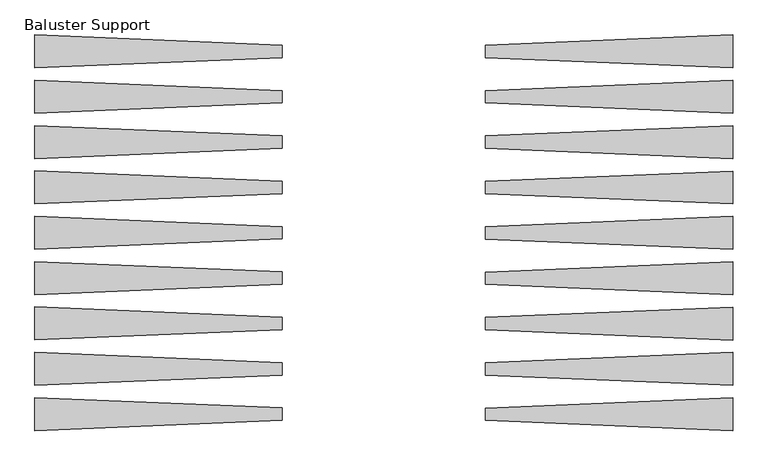
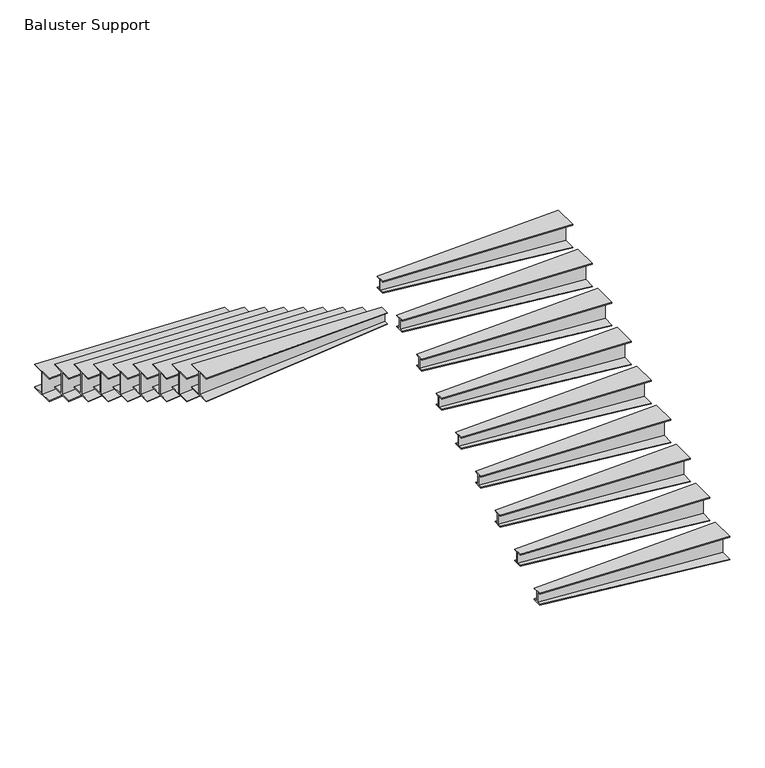
"""IFC4 building model written with IfcOpenShell, lengths in millimetres: railing geometry, Baluster Support."""

from ifc_helpers import new_model, si_unit, origin, place, context, project, spatial, faceted_brep, source, transform, mapped, element, save


def baluster_support_451a33aa(model_context):
    return source(origin(), model_context, "Body", "Brep", [
        faceted_brep([(5882.53129, 2665.5090883, 2997.2), (5882.53129, 2589.3090883, 2997.2), (5882.53129, 2589.3090883, 2990.85), (5882.53129, 2621.0590883, 2990.85), (5882.53129, 2621.0590883, 2901.95), (5882.53129, 2589.3090883, 2901.95), (5882.53129, 2589.3090883, 2895.6), (5882.53129, 2665.5090883, 2895.6), (5882.53129, 2665.5090883, 2901.95), (5882.53129, 2633.7590883, 2901.95), (5882.53129, 2633.7590883, 2990.85), (5882.53129, 2665.5090883, 2990.85), (4358.53129, 2729.0090883, 2997.2), (4358.53129, 2729.0090883, 2990.85), (4358.53129, 2633.7590883, 2990.85), (4358.53129, 2633.7590883, 2800.35), (4358.53129, 2729.0090883, 2800.35), (4358.53129, 2729.0090883, 2794.0), (4358.53129, 2525.8090883, 2794.0), (4358.53129, 2525.8090883, 2800.35), (4358.53129, 2621.0590883, 2800.35), (4358.53129, 2621.0590883, 2990.85), (4358.53129, 2525.8090883, 2990.85), (4358.53129, 2525.8090883, 2997.2)], [[[0, 1, 2, 3, 4, 5, 6, 7, 8, 9, 10, 11]], [[12, 13, 14, 15, 16, 17, 18, 19, 20, 21, 22, 23]], [[12, 23, 1, 0]], [[23, 22, 2, 1]], [[22, 21, 3, 2]], [[21, 20, 4, 3]], [[20, 19, 5, 4]], [[19, 18, 6, 5]], [[18, 17, 7, 6]], [[17, 16, 8, 7]], [[16, 15, 9, 8]], [[15, 14, 10, 9]], [[14, 13, 11, 10]], [[13, 12, 0, 11]]]),
        faceted_brep([(5882.53129, 2944.9090883, 2827.8666667), (5882.53129, 2868.7090883, 2827.8666667), (5882.53129, 2868.7090883, 2821.5166667), (5882.53129, 2900.4590883, 2821.5166667), (5882.53129, 2900.4590883, 2732.6166667), (5882.53129, 2868.7090883, 2732.6166667), (5882.53129, 2868.7090883, 2726.2666667), (5882.53129, 2944.9090883, 2726.2666667), (5882.53129, 2944.9090883, 2732.6166667), (5882.53129, 2913.1590883, 2732.6166667), (5882.53129, 2913.1590883, 2821.5166667), (5882.53129, 2944.9090883, 2821.5166667), (4358.53129, 3008.4090883, 2827.8666667), (4358.53129, 3008.4090883, 2821.5166667), (4358.53129, 2913.1590883, 2821.5166667), (4358.53129, 2913.1590883, 2631.0166667), (4358.53129, 3008.4090883, 2631.0166667), (4358.53129, 3008.4090883, 2624.6666667), (4358.53129, 2805.2090883, 2624.6666667), (4358.53129, 2805.2090883, 2631.0166667), (4358.53129, 2900.4590883, 2631.0166667), (4358.53129, 2900.4590883, 2821.5166667), (4358.53129, 2805.2090883, 2821.5166667), (4358.53129, 2805.2090883, 2827.8666667)], [[[0, 1, 2, 3, 4, 5, 6, 7, 8, 9, 10, 11]], [[12, 13, 14, 15, 16, 17, 18, 19, 20, 21, 22, 23]], [[12, 23, 1, 0]], [[23, 22, 2, 1]], [[22, 21, 3, 2]], [[21, 20, 4, 3]], [[20, 19, 5, 4]], [[19, 18, 6, 5]], [[18, 17, 7, 6]], [[17, 16, 8, 7]], [[16, 15, 9, 8]], [[15, 14, 10, 9]], [[14, 13, 11, 10]], [[13, 12, 0, 11]]]),
        faceted_brep([(5882.53129, 3224.3090883, 2658.5333333), (5882.53129, 3148.1090883, 2658.5333333), (5882.53129, 3148.1090883, 2652.1833333), (5882.53129, 3179.8590883, 2652.1833333), (5882.53129, 3179.8590883, 2563.2833333), (5882.53129, 3148.1090883, 2563.2833333), (5882.53129, 3148.1090883, 2556.9333333), (5882.53129, 3224.3090883, 2556.9333333), (5882.53129, 3224.3090883, 2563.2833333), (5882.53129, 3192.5590883, 2563.2833333), (5882.53129, 3192.5590883, 2652.1833333), (5882.53129, 3224.3090883, 2652.1833333), (4358.53129, 3287.8090883, 2658.5333333), (4358.53129, 3287.8090883, 2652.1833333), (4358.53129, 3192.5590883, 2652.1833333), (4358.53129, 3192.5590883, 2461.6833333), (4358.53129, 3287.8090883, 2461.6833333), (4358.53129, 3287.8090883, 2455.3333333), (4358.53129, 3084.6090883, 2455.3333333), (4358.53129, 3084.6090883, 2461.6833333), (4358.53129, 3179.8590883, 2461.6833333), (4358.53129, 3179.8590883, 2652.1833333), (4358.53129, 3084.6090883, 2652.1833333), (4358.53129, 3084.6090883, 2658.5333333)], [[[0, 1, 2, 3, 4, 5, 6, 7, 8, 9, 10, 11]], [[12, 13, 14, 15, 16, 17, 18, 19, 20, 21, 22, 23]], [[12, 23, 1, 0]], [[23, 22, 2, 1]], [[22, 21, 3, 2]], [[21, 20, 4, 3]], [[20, 19, 5, 4]], [[19, 18, 6, 5]], [[18, 17, 7, 6]], [[17, 16, 8, 7]], [[16, 15, 9, 8]], [[15, 14, 10, 9]], [[14, 13, 11, 10]], [[13, 12, 0, 11]]]),
        faceted_brep([(5882.53129, 3503.7090883, 2489.2), (5882.53129, 3427.5090883, 2489.2), (5882.53129, 3427.5090883, 2482.85), (5882.53129, 3459.2590883, 2482.85), (5882.53129, 3459.2590883, 2393.95), (5882.53129, 3427.5090883, 2393.95), (5882.53129, 3427.5090883, 2387.6), (5882.53129, 3503.7090883, 2387.6), (5882.53129, 3503.7090883, 2393.95), (5882.53129, 3471.9590883, 2393.95), (5882.53129, 3471.9590883, 2482.85), (5882.53129, 3503.7090883, 2482.85), (4358.53129, 3567.2090883, 2489.2), (4358.53129, 3567.2090883, 2482.85), (4358.53129, 3471.9590883, 2482.85), (4358.53129, 3471.9590883, 2292.35), (4358.53129, 3567.2090883, 2292.35), (4358.53129, 3567.2090883, 2286.0), (4358.53129, 3364.0090883, 2286.0), (4358.53129, 3364.0090883, 2292.35), (4358.53129, 3459.2590883, 2292.35), (4358.53129, 3459.2590883, 2482.85), (4358.53129, 3364.0090883, 2482.85), (4358.53129, 3364.0090883, 2489.2)], [[[0, 1, 2, 3, 4, 5, 6, 7, 8, 9, 10, 11]], [[12, 13, 14, 15, 16, 17, 18, 19, 20, 21, 22, 23]], [[12, 23, 1, 0]], [[23, 22, 2, 1]], [[22, 21, 3, 2]], [[21, 20, 4, 3]], [[20, 19, 5, 4]], [[19, 18, 6, 5]], [[18, 17, 7, 6]], [[17, 16, 8, 7]], [[16, 15, 9, 8]], [[15, 14, 10, 9]], [[14, 13, 11, 10]], [[13, 12, 0, 11]]]),
        faceted_brep([(5882.53129, 3783.1090883, 2319.8666667), (5882.53129, 3706.9090883, 2319.8666667), (5882.53129, 3706.9090883, 2313.5166667), (5882.53129, 3738.6590883, 2313.5166667), (5882.53129, 3738.6590883, 2224.6166667), (5882.53129, 3706.9090883, 2224.6166667), (5882.53129, 3706.9090883, 2218.2666667), (5882.53129, 3783.1090883, 2218.2666667), (5882.53129, 3783.1090883, 2224.6166667), (5882.53129, 3751.3590883, 2224.6166667), (5882.53129, 3751.3590883, 2313.5166667), (5882.53129, 3783.1090883, 2313.5166667), (4358.53129, 3846.6090883, 2319.8666667), (4358.53129, 3846.6090883, 2313.5166667), (4358.53129, 3751.3590883, 2313.5166667), (4358.53129, 3751.3590883, 2123.0166667), (4358.53129, 3846.6090883, 2123.0166667), (4358.53129, 3846.6090883, 2116.6666667), (4358.53129, 3643.4090883, 2116.6666667), (4358.53129, 3643.4090883, 2123.0166667), (4358.53129, 3738.6590883, 2123.0166667), (4358.53129, 3738.6590883, 2313.5166667), (4358.53129, 3643.4090883, 2313.5166667), (4358.53129, 3643.4090883, 2319.8666667)], [[[0, 1, 2, 3, 4, 5, 6, 7, 8, 9, 10, 11]], [[12, 13, 14, 15, 16, 17, 18, 19, 20, 21, 22, 23]], [[12, 23, 1, 0]], [[23, 22, 2, 1]], [[22, 21, 3, 2]], [[21, 20, 4, 3]], [[20, 19, 5, 4]], [[19, 18, 6, 5]], [[18, 17, 7, 6]], [[17, 16, 8, 7]], [[16, 15, 9, 8]], [[15, 14, 10, 9]], [[14, 13, 11, 10]], [[13, 12, 0, 11]]]),
        faceted_brep([(5882.53129, 4062.5090883, 2150.5333333), (5882.53129, 3986.3090883, 2150.5333333), (5882.53129, 3986.3090883, 2144.1833333), (5882.53129, 4018.0590883, 2144.1833333), (5882.53129, 4018.0590883, 2055.2833333), (5882.53129, 3986.3090883, 2055.2833333), (5882.53129, 3986.3090883, 2048.9333333), (5882.53129, 4062.5090883, 2048.9333333), (5882.53129, 4062.5090883, 2055.2833333), (5882.53129, 4030.7590883, 2055.2833333), (5882.53129, 4030.7590883, 2144.1833333), (5882.53129, 4062.5090883, 2144.1833333), (4358.53129, 4126.0090883, 2150.5333333), (4358.53129, 4126.0090883, 2144.1833333), (4358.53129, 4030.7590883, 2144.1833333), (4358.53129, 4030.7590883, 1953.6833333), (4358.53129, 4126.0090883, 1953.6833333), (4358.53129, 4126.0090883, 1947.3333333), (4358.53129, 3922.8090883, 1947.3333333), (4358.53129, 3922.8090883, 1953.6833333), (4358.53129, 4018.0590883, 1953.6833333), (4358.53129, 4018.0590883, 2144.1833333), (4358.53129, 3922.8090883, 2144.1833333), (4358.53129, 3922.8090883, 2150.5333333)], [[[0, 1, 2, 3, 4, 5, 6, 7, 8, 9, 10, 11]], [[12, 13, 14, 15, 16, 17, 18, 19, 20, 21, 22, 23]], [[12, 23, 1, 0]], [[23, 22, 2, 1]], [[22, 21, 3, 2]], [[21, 20, 4, 3]], [[20, 19, 5, 4]], [[19, 18, 6, 5]], [[18, 17, 7, 6]], [[17, 16, 8, 7]], [[16, 15, 9, 8]], [[15, 14, 10, 9]], [[14, 13, 11, 10]], [[13, 12, 0, 11]]]),
        faceted_brep([(5882.53129, 4341.9090883, 1981.2), (5882.53129, 4265.7090883, 1981.2), (5882.53129, 4265.7090883, 1974.85), (5882.53129, 4297.4590883, 1974.85), (5882.53129, 4297.4590883, 1885.95), (5882.53129, 4265.7090883, 1885.95), (5882.53129, 4265.7090883, 1879.6), (5882.53129, 4341.9090883, 1879.6), (5882.53129, 4341.9090883, 1885.95), (5882.53129, 4310.1590883, 1885.95), (5882.53129, 4310.1590883, 1974.85), (5882.53129, 4341.9090883, 1974.85), (4358.53129, 4405.4090883, 1981.2), (4358.53129, 4405.4090883, 1974.85), (4358.53129, 4310.1590883, 1974.85), (4358.53129, 4310.1590883, 1784.35), (4358.53129, 4405.4090883, 1784.35), (4358.53129, 4405.4090883, 1778.0), (4358.53129, 4202.2090883, 1778.0), (4358.53129, 4202.2090883, 1784.35), (4358.53129, 4297.4590883, 1784.35), (4358.53129, 4297.4590883, 1974.85), (4358.53129, 4202.2090883, 1974.85), (4358.53129, 4202.2090883, 1981.2)], [[[0, 1, 2, 3, 4, 5, 6, 7, 8, 9, 10, 11]], [[12, 13, 14, 15, 16, 17, 18, 19, 20, 21, 22, 23]], [[12, 23, 1, 0]], [[23, 22, 2, 1]], [[22, 21, 3, 2]], [[21, 20, 4, 3]], [[20, 19, 5, 4]], [[19, 18, 6, 5]], [[18, 17, 7, 6]], [[17, 16, 8, 7]], [[16, 15, 9, 8]], [[15, 14, 10, 9]], [[14, 13, 11, 10]], [[13, 12, 0, 11]]]),
        faceted_brep([(5882.53129, 4621.3090883, 1811.8666667), (5882.53129, 4545.1090883, 1811.8666667), (5882.53129, 4545.1090883, 1805.5166667), (5882.53129, 4576.8590883, 1805.5166667), (5882.53129, 4576.8590883, 1716.6166667), (5882.53129, 4545.1090883, 1716.6166667), (5882.53129, 4545.1090883, 1710.2666667), (5882.53129, 4621.3090883, 1710.2666667), (5882.53129, 4621.3090883, 1716.6166667), (5882.53129, 4589.5590883, 1716.6166667), (5882.53129, 4589.5590883, 1805.5166667), (5882.53129, 4621.3090883, 1805.5166667), (4358.53129, 4684.8090883, 1811.8666667), (4358.53129, 4684.8090883, 1805.5166667), (4358.53129, 4589.5590883, 1805.5166667), (4358.53129, 4589.5590883, 1615.0166667), (4358.53129, 4684.8090883, 1615.0166667), (4358.53129, 4684.8090883, 1608.6666667), (4358.53129, 4481.6090883, 1608.6666667), (4358.53129, 4481.6090883, 1615.0166667), (4358.53129, 4576.8590883, 1615.0166667), (4358.53129, 4576.8590883, 1805.5166667), (4358.53129, 4481.6090883, 1805.5166667), (4358.53129, 4481.6090883, 1811.8666667)], [[[0, 1, 2, 3, 4, 5, 6, 7, 8, 9, 10, 11]], [[12, 13, 14, 15, 16, 17, 18, 19, 20, 21, 22, 23]], [[12, 23, 1, 0]], [[23, 22, 2, 1]], [[22, 21, 3, 2]], [[21, 20, 4, 3]], [[20, 19, 5, 4]], [[19, 18, 6, 5]], [[18, 17, 7, 6]], [[17, 16, 8, 7]], [[16, 15, 9, 8]], [[15, 14, 10, 9]], [[14, 13, 11, 10]], [[13, 12, 0, 11]]]),
        faceted_brep([(5882.53129, 4900.7090883, 1642.5333333), (5882.53129, 4824.5090883, 1642.5333333), (5882.53129, 4824.5090883, 1636.1833333), (5882.53129, 4856.2590883, 1636.1833333), (5882.53129, 4856.2590883, 1547.2833333), (5882.53129, 4824.5090883, 1547.2833333), (5882.53129, 4824.5090883, 1540.9333333), (5882.53129, 4900.7090883, 1540.9333333), (5882.53129, 4900.7090883, 1547.2833333), (5882.53129, 4868.9590883, 1547.2833333), (5882.53129, 4868.9590883, 1636.1833333), (5882.53129, 4900.7090883, 1636.1833333), (4358.53129, 4964.2090883, 1642.5333333), (4358.53129, 4964.2090883, 1636.1833333), (4358.53129, 4868.9590883, 1636.1833333), (4358.53129, 4868.9590883, 1445.6833333), (4358.53129, 4964.2090883, 1445.6833333), (4358.53129, 4964.2090883, 1439.3333333), (4358.53129, 4761.0090883, 1439.3333333), (4358.53129, 4761.0090883, 1445.6833333), (4358.53129, 4856.2590883, 1445.6833333), (4358.53129, 4856.2590883, 1636.1833333), (4358.53129, 4761.0090883, 1636.1833333), (4358.53129, 4761.0090883, 1642.5333333)], [[[0, 1, 2, 3, 4, 5, 6, 7, 8, 9, 10, 11]], [[12, 13, 14, 15, 16, 17, 18, 19, 20, 21, 22, 23]], [[12, 23, 1, 0]], [[23, 22, 2, 1]], [[22, 21, 3, 2]], [[21, 20, 4, 3]], [[20, 19, 5, 4]], [[19, 18, 6, 5]], [[18, 17, 7, 6]], [[17, 16, 8, 7]], [[16, 15, 9, 8]], [[15, 14, 10, 9]], [[14, 13, 11, 10]], [[13, 12, 0, 11]]]),
        faceted_brep([(7136.4963422, 4824.5090883, 1473.2), (7136.4963422, 4900.7090883, 1473.2), (7136.4963422, 4900.7090883, 1466.85), (7136.4963422, 4868.9590883, 1466.85), (7136.4963422, 4868.9590883, 1377.95), (7136.4963422, 4900.7090883, 1377.95), (7136.4963422, 4900.7090883, 1371.6), (7136.4963422, 4824.5090883, 1371.6), (7136.4963422, 4824.5090883, 1377.95), (7136.4963422, 4856.2590883, 1377.95), (7136.4963422, 4856.2590883, 1466.85), (7136.4963422, 4824.5090883, 1466.85), (8660.4963422, 4761.0090883, 1473.2), (8660.4963422, 4761.0090883, 1466.85), (8660.4963422, 4856.2590883, 1466.85), (8660.4963422, 4856.2590883, 1276.35), (8660.4963422, 4761.0090883, 1276.35), (8660.4963422, 4761.0090883, 1270.0), (8660.4963422, 4964.2090883, 1270.0), (8660.4963422, 4964.2090883, 1276.35), (8660.4963422, 4868.9590883, 1276.35), (8660.4963422, 4868.9590883, 1466.85), (8660.4963422, 4964.2090883, 1466.85), (8660.4963422, 4964.2090883, 1473.2)], [[[0, 1, 2, 3, 4, 5, 6, 7, 8, 9, 10, 11]], [[12, 13, 14, 15, 16, 17, 18, 19, 20, 21, 22, 23]], [[12, 23, 1, 0]], [[23, 22, 2, 1]], [[22, 21, 3, 2]], [[21, 20, 4, 3]], [[20, 19, 5, 4]], [[19, 18, 6, 5]], [[18, 17, 7, 6]], [[17, 16, 8, 7]], [[16, 15, 9, 8]], [[15, 14, 10, 9]], [[14, 13, 11, 10]], [[13, 12, 0, 11]]]),
        faceted_brep([(7136.4963422, 4545.1090883, 1303.8666667), (7136.4963422, 4621.3090883, 1303.8666667), (7136.4963422, 4621.3090883, 1297.5166667), (7136.4963422, 4589.5590883, 1297.5166667), (7136.4963422, 4589.5590883, 1208.6166667), (7136.4963422, 4621.3090883, 1208.6166667), (7136.4963422, 4621.3090883, 1202.2666667), (7136.4963422, 4545.1090883, 1202.2666667), (7136.4963422, 4545.1090883, 1208.6166667), (7136.4963422, 4576.8590883, 1208.6166667), (7136.4963422, 4576.8590883, 1297.5166667), (7136.4963422, 4545.1090883, 1297.5166667), (8660.4963422, 4481.6090883, 1303.8666667), (8660.4963422, 4481.6090883, 1297.5166667), (8660.4963422, 4576.8590883, 1297.5166667), (8660.4963422, 4576.8590883, 1107.0166667), (8660.4963422, 4481.6090883, 1107.0166667), (8660.4963422, 4481.6090883, 1100.6666667), (8660.4963422, 4684.8090883, 1100.6666667), (8660.4963422, 4684.8090883, 1107.0166667), (8660.4963422, 4589.5590883, 1107.0166667), (8660.4963422, 4589.5590883, 1297.5166667), (8660.4963422, 4684.8090883, 1297.5166667), (8660.4963422, 4684.8090883, 1303.8666667)], [[[0, 1, 2, 3, 4, 5, 6, 7, 8, 9, 10, 11]], [[12, 13, 14, 15, 16, 17, 18, 19, 20, 21, 22, 23]], [[12, 23, 1, 0]], [[23, 22, 2, 1]], [[22, 21, 3, 2]], [[21, 20, 4, 3]], [[20, 19, 5, 4]], [[19, 18, 6, 5]], [[18, 17, 7, 6]], [[17, 16, 8, 7]], [[16, 15, 9, 8]], [[15, 14, 10, 9]], [[14, 13, 11, 10]], [[13, 12, 0, 11]]]),
        faceted_brep([(7136.4963422, 4265.7090883, 1134.5333333), (7136.4963422, 4341.9090883, 1134.5333333), (7136.4963422, 4341.9090883, 1128.1833333), (7136.4963422, 4310.1590883, 1128.1833333), (7136.4963422, 4310.1590883, 1039.2833333), (7136.4963422, 4341.9090883, 1039.2833333), (7136.4963422, 4341.9090883, 1032.9333333), (7136.4963422, 4265.7090883, 1032.9333333), (7136.4963422, 4265.7090883, 1039.2833333), (7136.4963422, 4297.4590883, 1039.2833333), (7136.4963422, 4297.4590883, 1128.1833333), (7136.4963422, 4265.7090883, 1128.1833333), (8660.4963422, 4202.2090883, 1134.5333333), (8660.4963422, 4202.2090883, 1128.1833333), (8660.4963422, 4297.4590883, 1128.1833333), (8660.4963422, 4297.4590883, 937.6833333), (8660.4963422, 4202.2090883, 937.6833333), (8660.4963422, 4202.2090883, 931.3333333), (8660.4963422, 4405.4090883, 931.3333333), (8660.4963422, 4405.4090883, 937.6833333), (8660.4963422, 4310.1590883, 937.6833333), (8660.4963422, 4310.1590883, 1128.1833333), (8660.4963422, 4405.4090883, 1128.1833333), (8660.4963422, 4405.4090883, 1134.5333333)], [[[0, 1, 2, 3, 4, 5, 6, 7, 8, 9, 10, 11]], [[12, 13, 14, 15, 16, 17, 18, 19, 20, 21, 22, 23]], [[12, 23, 1, 0]], [[23, 22, 2, 1]], [[22, 21, 3, 2]], [[21, 20, 4, 3]], [[20, 19, 5, 4]], [[19, 18, 6, 5]], [[18, 17, 7, 6]], [[17, 16, 8, 7]], [[16, 15, 9, 8]], [[15, 14, 10, 9]], [[14, 13, 11, 10]], [[13, 12, 0, 11]]]),
        faceted_brep([(7136.4963422, 3986.3090883, 965.2), (7136.4963422, 4062.5090883, 965.2), (7136.4963422, 4062.5090883, 958.85), (7136.4963422, 4030.7590883, 958.85), (7136.4963422, 4030.7590883, 869.95), (7136.4963422, 4062.5090883, 869.95), (7136.4963422, 4062.5090883, 863.6), (7136.4963422, 3986.3090883, 863.6), (7136.4963422, 3986.3090883, 869.95), (7136.4963422, 4018.0590883, 869.95), (7136.4963422, 4018.0590883, 958.85), (7136.4963422, 3986.3090883, 958.85), (8660.4963422, 3922.8090883, 965.2), (8660.4963422, 3922.8090883, 958.85), (8660.4963422, 4018.0590883, 958.85), (8660.4963422, 4018.0590883, 768.35), (8660.4963422, 3922.8090883, 768.35), (8660.4963422, 3922.8090883, 762.0), (8660.4963422, 4126.0090883, 762.0), (8660.4963422, 4126.0090883, 768.35), (8660.4963422, 4030.7590883, 768.35), (8660.4963422, 4030.7590883, 958.85), (8660.4963422, 4126.0090883, 958.85), (8660.4963422, 4126.0090883, 965.2)], [[[0, 1, 2, 3, 4, 5, 6, 7, 8, 9, 10, 11]], [[12, 13, 14, 15, 16, 17, 18, 19, 20, 21, 22, 23]], [[12, 23, 1, 0]], [[23, 22, 2, 1]], [[22, 21, 3, 2]], [[21, 20, 4, 3]], [[20, 19, 5, 4]], [[19, 18, 6, 5]], [[18, 17, 7, 6]], [[17, 16, 8, 7]], [[16, 15, 9, 8]], [[15, 14, 10, 9]], [[14, 13, 11, 10]], [[13, 12, 0, 11]]]),
        faceted_brep([(7136.4963422, 3706.9090883, 795.8666667), (7136.4963422, 3783.1090883, 795.8666667), (7136.4963422, 3783.1090883, 789.5166667), (7136.4963422, 3751.3590883, 789.5166667), (7136.4963422, 3751.3590883, 700.6166667), (7136.4963422, 3783.1090883, 700.6166667), (7136.4963422, 3783.1090883, 694.2666667), (7136.4963422, 3706.9090883, 694.2666667), (7136.4963422, 3706.9090883, 700.6166667), (7136.4963422, 3738.6590883, 700.6166667), (7136.4963422, 3738.6590883, 789.5166667), (7136.4963422, 3706.9090883, 789.5166667), (8660.4963422, 3643.4090883, 795.8666667), (8660.4963422, 3643.4090883, 789.5166667), (8660.4963422, 3738.6590883, 789.5166667), (8660.4963422, 3738.6590883, 599.0166667), (8660.4963422, 3643.4090883, 599.0166667), (8660.4963422, 3643.4090883, 592.6666667), (8660.4963422, 3846.6090883, 592.6666667), (8660.4963422, 3846.6090883, 599.0166667), (8660.4963422, 3751.3590883, 599.0166667), (8660.4963422, 3751.3590883, 789.5166667), (8660.4963422, 3846.6090883, 789.5166667), (8660.4963422, 3846.6090883, 795.8666667)], [[[0, 1, 2, 3, 4, 5, 6, 7, 8, 9, 10, 11]], [[12, 13, 14, 15, 16, 17, 18, 19, 20, 21, 22, 23]], [[12, 23, 1, 0]], [[23, 22, 2, 1]], [[22, 21, 3, 2]], [[21, 20, 4, 3]], [[20, 19, 5, 4]], [[19, 18, 6, 5]], [[18, 17, 7, 6]], [[17, 16, 8, 7]], [[16, 15, 9, 8]], [[15, 14, 10, 9]], [[14, 13, 11, 10]], [[13, 12, 0, 11]]]),
        faceted_brep([(7136.4963422, 3427.5090883, 626.5333333), (7136.4963422, 3503.7090883, 626.5333333), (7136.4963422, 3503.7090883, 620.1833333), (7136.4963422, 3471.9590883, 620.1833333), (7136.4963422, 3471.9590883, 531.2833333), (7136.4963422, 3503.7090883, 531.2833333), (7136.4963422, 3503.7090883, 524.9333333), (7136.4963422, 3427.5090883, 524.9333333), (7136.4963422, 3427.5090883, 531.2833333), (7136.4963422, 3459.2590883, 531.2833333), (7136.4963422, 3459.2590883, 620.1833333), (7136.4963422, 3427.5090883, 620.1833333), (8660.4963422, 3364.0090883, 626.5333333), (8660.4963422, 3364.0090883, 620.1833333), (8660.4963422, 3459.2590883, 620.1833333), (8660.4963422, 3459.2590883, 429.6833333), (8660.4963422, 3364.0090883, 429.6833333), (8660.4963422, 3364.0090883, 423.3333333), (8660.4963422, 3567.2090883, 423.3333333), (8660.4963422, 3567.2090883, 429.6833333), (8660.4963422, 3471.9590883, 429.6833333), (8660.4963422, 3471.9590883, 620.1833333), (8660.4963422, 3567.2090883, 620.1833333), (8660.4963422, 3567.2090883, 626.5333333)], [[[0, 1, 2, 3, 4, 5, 6, 7, 8, 9, 10, 11]], [[12, 13, 14, 15, 16, 17, 18, 19, 20, 21, 22, 23]], [[12, 23, 1, 0]], [[23, 22, 2, 1]], [[22, 21, 3, 2]], [[21, 20, 4, 3]], [[20, 19, 5, 4]], [[19, 18, 6, 5]], [[18, 17, 7, 6]], [[17, 16, 8, 7]], [[16, 15, 9, 8]], [[15, 14, 10, 9]], [[14, 13, 11, 10]], [[13, 12, 0, 11]]]),
        faceted_brep([(7136.4963422, 3148.1090883, 457.2), (7136.4963422, 3224.3090883, 457.2), (7136.4963422, 3224.3090883, 450.85), (7136.4963422, 3192.5590883, 450.85), (7136.4963422, 3192.5590883, 361.95), (7136.4963422, 3224.3090883, 361.95), (7136.4963422, 3224.3090883, 355.6), (7136.4963422, 3148.1090883, 355.6), (7136.4963422, 3148.1090883, 361.95), (7136.4963422, 3179.8590883, 361.95), (7136.4963422, 3179.8590883, 450.85), (7136.4963422, 3148.1090883, 450.85), (8660.4963422, 3084.6090883, 457.2), (8660.4963422, 3084.6090883, 450.85), (8660.4963422, 3179.8590883, 450.85), (8660.4963422, 3179.8590883, 260.35), (8660.4963422, 3084.6090883, 260.35), (8660.4963422, 3084.6090883, 254.0), (8660.4963422, 3287.8090883, 254.0), (8660.4963422, 3287.8090883, 260.35), (8660.4963422, 3192.5590883, 260.35), (8660.4963422, 3192.5590883, 450.85), (8660.4963422, 3287.8090883, 450.85), (8660.4963422, 3287.8090883, 457.2)], [[[0, 1, 2, 3, 4, 5, 6, 7, 8, 9, 10, 11]], [[12, 13, 14, 15, 16, 17, 18, 19, 20, 21, 22, 23]], [[12, 23, 1, 0]], [[23, 22, 2, 1]], [[22, 21, 3, 2]], [[21, 20, 4, 3]], [[20, 19, 5, 4]], [[19, 18, 6, 5]], [[18, 17, 7, 6]], [[17, 16, 8, 7]], [[16, 15, 9, 8]], [[15, 14, 10, 9]], [[14, 13, 11, 10]], [[13, 12, 0, 11]]]),
        faceted_brep([(7136.4963422, 2868.7090883, 287.8666667), (7136.4963422, 2944.9090883, 287.8666667), (7136.4963422, 2944.9090883, 281.5166667), (7136.4963422, 2913.1590883, 281.5166667), (7136.4963422, 2913.1590883, 192.6166667), (7136.4963422, 2944.9090883, 192.6166667), (7136.4963422, 2944.9090883, 186.2666667), (7136.4963422, 2868.7090883, 186.2666667), (7136.4963422, 2868.7090883, 192.6166667), (7136.4963422, 2900.4590883, 192.6166667), (7136.4963422, 2900.4590883, 281.5166667), (7136.4963422, 2868.7090883, 281.5166667), (8660.4963422, 2805.2090883, 287.8666667), (8660.4963422, 2805.2090883, 281.5166667), (8660.4963422, 2900.4590883, 281.5166667), (8660.4963422, 2900.4590883, 91.0166667), (8660.4963422, 2805.2090883, 91.0166667), (8660.4963422, 2805.2090883, 84.6666667), (8660.4963422, 3008.4090883, 84.6666667), (8660.4963422, 3008.4090883, 91.0166667), (8660.4963422, 2913.1590883, 91.0166667), (8660.4963422, 2913.1590883, 281.5166667), (8660.4963422, 3008.4090883, 281.5166667), (8660.4963422, 3008.4090883, 287.8666667)], [[[0, 1, 2, 3, 4, 5, 6, 7, 8, 9, 10, 11]], [[12, 13, 14, 15, 16, 17, 18, 19, 20, 21, 22, 23]], [[12, 23, 1, 0]], [[23, 22, 2, 1]], [[22, 21, 3, 2]], [[21, 20, 4, 3]], [[20, 19, 5, 4]], [[19, 18, 6, 5]], [[18, 17, 7, 6]], [[17, 16, 8, 7]], [[16, 15, 9, 8]], [[15, 14, 10, 9]], [[14, 13, 11, 10]], [[13, 12, 0, 11]]]),
        faceted_brep([(7136.4963422, 2589.3090883, 118.5333333), (7136.4963422, 2665.5090883, 118.5333333), (7136.4963422, 2665.5090883, 112.1833333), (7136.4963422, 2633.7590883, 112.1833333), (7136.4963422, 2633.7590883, 23.2833333), (7136.4963422, 2665.5090883, 23.2833333), (7136.4963422, 2665.5090883, 16.9333333), (7136.4963422, 2589.3090883, 16.9333333), (7136.4963422, 2589.3090883, 23.2833333), (7136.4963422, 2621.0590883, 23.2833333), (7136.4963422, 2621.0590883, 112.1833333), (7136.4963422, 2589.3090883, 112.1833333), (8660.4963422, 2525.8090883, 118.5333333), (8660.4963422, 2525.8090883, 112.1833333), (8660.4963422, 2621.0590883, 112.1833333), (8660.4963422, 2621.0590883, -78.3166667), (8660.4963422, 2525.8090883, -78.3166667), (8660.4963422, 2525.8090883, -84.6666667), (8660.4963422, 2729.0090883, -84.6666667), (8660.4963422, 2729.0090883, -78.3166667), (8660.4963422, 2633.7590883, -78.3166667), (8660.4963422, 2633.7590883, 112.1833333), (8660.4963422, 2729.0090883, 112.1833333), (8660.4963422, 2729.0090883, 118.5333333)], [[[0, 1, 2, 3, 4, 5, 6, 7, 8, 9, 10, 11]], [[12, 13, 14, 15, 16, 17, 18, 19, 20, 21, 22, 23]], [[12, 23, 1, 0]], [[23, 22, 2, 1]], [[22, 21, 3, 2]], [[21, 20, 4, 3]], [[20, 19, 5, 4]], [[19, 18, 6, 5]], [[18, 17, 7, 6]], [[17, 16, 8, 7]], [[16, 15, 9, 8]], [[15, 14, 10, 9]], [[14, 13, 11, 10]], [[13, 12, 0, 11]]]),
    ])


if __name__ == "__main__":
    model = new_model("IFC4")
    model_context = context("Model", 3, world=origin())
    ifc_project = project(units=[si_unit("LENGTHUNIT", "METRE", prefix="MILLI")], contexts=[model_context])
    site = spatial("IfcSite", under=ifc_project)
    building = spatial("IfcBuilding", under=site)
    placement = place(None, origin())
    baluster_support_shape = baluster_support_451a33aa(model_context)
    element("IfcRailing", 1, ObjectType="Baluster Support", at=placement, inside=building, context=model_context, shape_type="MappedRepresentation", body=[
        mapped(baluster_support_shape, transform((0.0, 0.0, 0.0), x_axis=(1.0, 0.0, 0.0), y_axis=(0.0, 1.0, 0.0), z_axis=(0.0, 0.0, 1.0))),
    ])
    save(model, "model.ifc")
